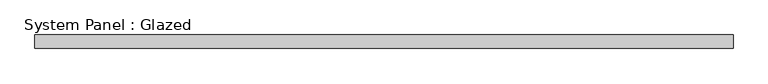
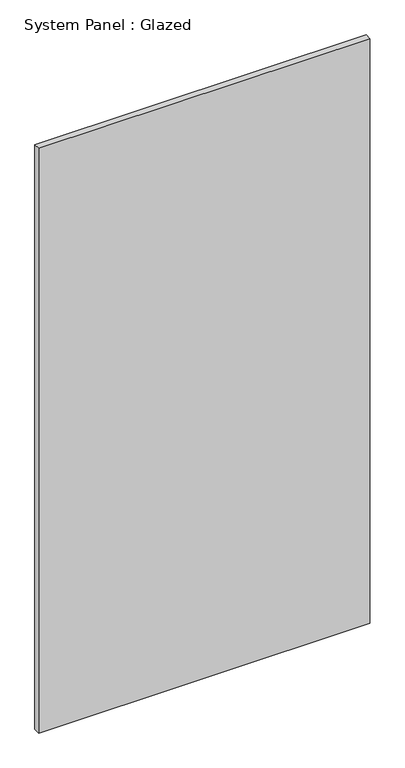
"""IFC4 building model written with IfcOpenShell, lengths in millimetres: plate geometry, System Panel : Glazed."""

from ifc_helpers import new_model, si_unit, origin, origin_with_axes, place, context, project, spatial, polyline, outline, extrude, source, transform, mapped, element, save


def system_panel_glazed_f7abbb1c(model_context):
    return source(origin(), model_context, "Body", "SweptSolid", [
        extrude(outline(polyline([(645.3333333, -49.5), (-645.3333333, -49.5), (-645.3333333, -24.5), (645.3333333, -24.5), (645.3333333, -49.5)])), origin_with_axes(), (0.0, 0.0, 1.0), 2410.0),
    ])


if __name__ == "__main__":
    model = new_model("IFC4")
    model_context = context("Model", 3, world=origin())
    ifc_project = project(units=[si_unit("LENGTHUNIT", "METRE", prefix="MILLI")], contexts=[model_context])
    site = spatial("IfcSite", under=ifc_project)
    building = spatial("IfcBuilding", under=site)
    placement = place(None, origin())
    system_panel_glazed_shape = system_panel_glazed_f7abbb1c(model_context)
    element("IfcPlate", 1, ObjectType="System Panel : Glazed", at=placement, inside=building, context=model_context, shape_type="MappedRepresentation", body=[
        mapped(system_panel_glazed_shape, transform((0.0, 0.0, 0.0), x_axis=(1.0, 0.0, 0.0), y_axis=(0.0, 1.0, 0.0), z_axis=(0.0, 0.0, 1.0))),
    ])
    save(model, "model.ifc")
